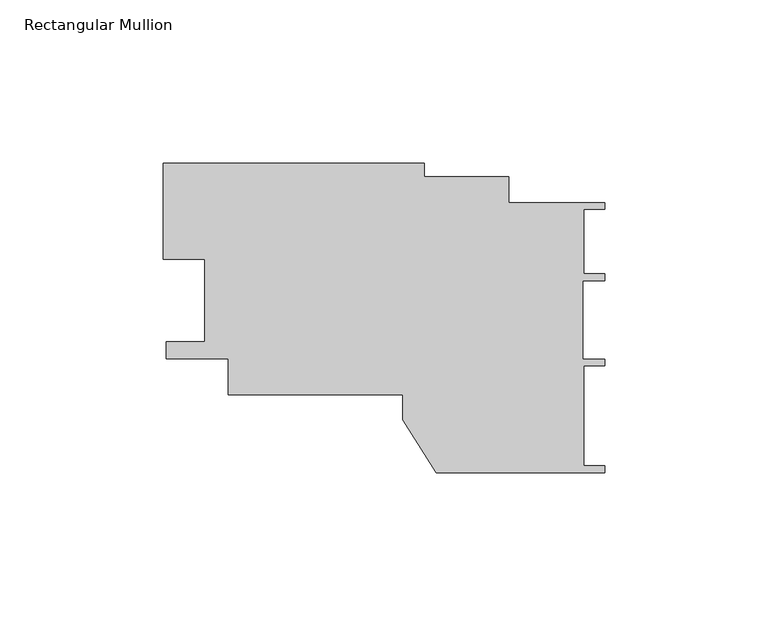
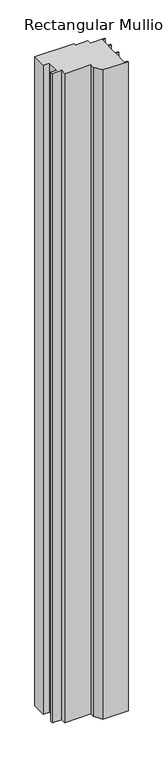
"""IFC4 building model written with IfcOpenShell, lengths in millimetres: member geometry, Rectangular Mullion."""

from ifc_helpers import new_model, si_unit, frame, origin, place, context, project, spatial, polyline, outline, extrude, source, transform, mapped, element, save


def rectangular_mullion_cbe31aff(model_context):
    return source(origin(), model_context, "Body", "SweptSolid", [
        extrude(outline(polyline([(-122.2412301, 19.9211762), (-134.9238089, 19.9211762), (-134.9238089, 49.2333744), (-55.2124897, 49.2333744), (-55.2124897, 45.2142836), (-29.3351114, 45.2142836), (-29.3351114, 37.2076194), (-0.0001731, 37.2076194), (-0.0001731, 35.1935716), (-6.3415122, 35.1935716), (-6.3415122, 15.4539627), (-0.0001731, 15.4539627), (-0.0001731, 13.4101957), (-6.6042681, 13.4101957), (-6.6042681, -10.6000752), (-0.0001731, -10.6000752), (-0.0001731, -12.6226927), (-6.3502578, -12.6226927), (-6.3502578, -43.3072177), (0.0, -43.3072177), (0.0, -45.3456504), (-51.4872591, -45.3456504), (-61.6791267, -29.1537556), (-61.6791267, -21.4634805), (-115.0669411, -21.4634805), (-115.0669411, -10.439433), (-134.1177144, -10.439433), (-134.1177144, -5.2322216), (-122.2412301, -5.2322216), (-122.2412301, 19.9211762)])), frame((0.0, 0.0, -1397.0), z_axis=(0.0, 0.0, 1.0), x_axis=(1.0, 0.0, 0.0)), (0.0, 0.0, 1.0), 1397.0),
    ])


if __name__ == "__main__":
    model = new_model("IFC4")
    model_context = context("Model", 3, world=origin())
    ifc_project = project(units=[si_unit("LENGTHUNIT", "METRE", prefix="MILLI")], contexts=[model_context])
    site = spatial("IfcSite", under=ifc_project)
    building = spatial("IfcBuilding", under=site)
    placement = place(None, origin())
    rectangular_mullion_shape = rectangular_mullion_cbe31aff(model_context)
    element("IfcMember", 1, ObjectType="Rectangular Mullion", at=placement, inside=building, context=model_context, shape_type="MappedRepresentation", body=[
        mapped(rectangular_mullion_shape, transform((0.0, 0.0, 0.0), x_axis=(1.0, 0.0, 0.0), y_axis=(0.0, 1.0, 0.0), z_axis=(0.0, 0.0, 1.0))),
    ])
    save(model, "model.ifc")
